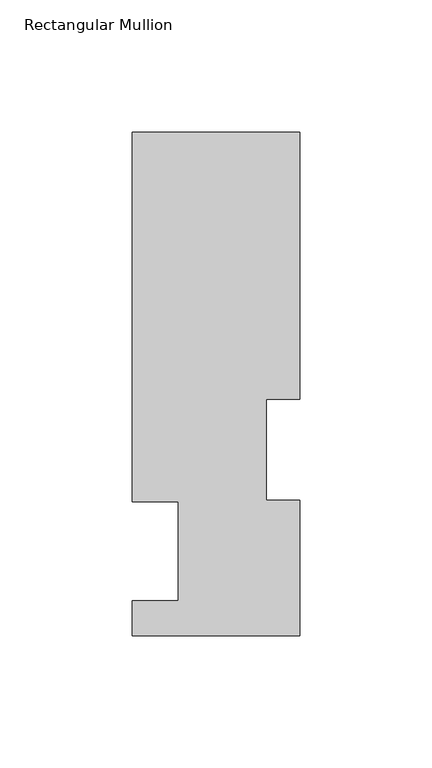
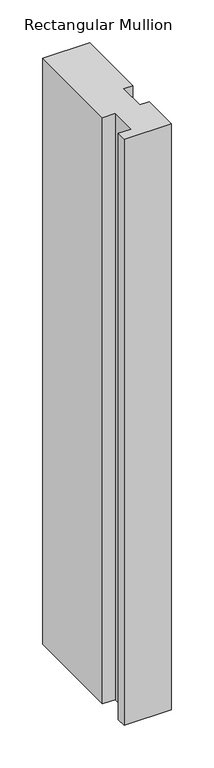
"""IFC4 building model written with IfcOpenShell, lengths in millimetres: member geometry, Rectangular Mullion."""

from ifc_helpers import new_model, si_unit, frame, origin, place, context, project, spatial, polyline, outline, extrude, source, transform, mapped, element, save


def rectangular_mullion_ef6a9394(model_context):
    return source(origin(), model_context, "Body", "SweptSolid", [
        extrude(outline(polyline([(31.75, 190.7881313), (31.75, 89.5945313), (19.05, 89.5945313), (19.05, 51.4945315), (31.7595098, 51.4945315), (31.7595098, 0.2119312), (-31.7500004, 0.2119312), (-31.7500004, 13.3945312), (-14.2748004, 13.3945312), (-14.2748004, 50.8087294), (-31.7500004, 50.8087294), (-31.7500004, 190.7881313), (31.75, 190.7881313)])), frame((0.0, 0.0, -838.2000001), z_axis=(0.0, 0.0, 1.0), x_axis=(1.0, 0.0, 0.0)), (0.0, 0.0, 1.0), 838.2000001),
    ])


if __name__ == "__main__":
    model = new_model("IFC4")
    model_context = context("Model", 3, world=origin())
    ifc_project = project(units=[si_unit("LENGTHUNIT", "METRE", prefix="MILLI")], contexts=[model_context])
    site = spatial("IfcSite", under=ifc_project)
    building = spatial("IfcBuilding", under=site)
    placement = place(None, origin())
    rectangular_mullion_shape = rectangular_mullion_ef6a9394(model_context)
    element("IfcMember", 1, ObjectType="Rectangular Mullion", at=placement, inside=building, context=model_context, shape_type="MappedRepresentation", body=[
        mapped(rectangular_mullion_shape, transform((0.0, 0.0, 0.0), x_axis=(1.0, 0.0, 0.0), y_axis=(0.0, 1.0, 0.0), z_axis=(0.0, 0.0, 1.0))),
    ])
    save(model, "model.ifc")
